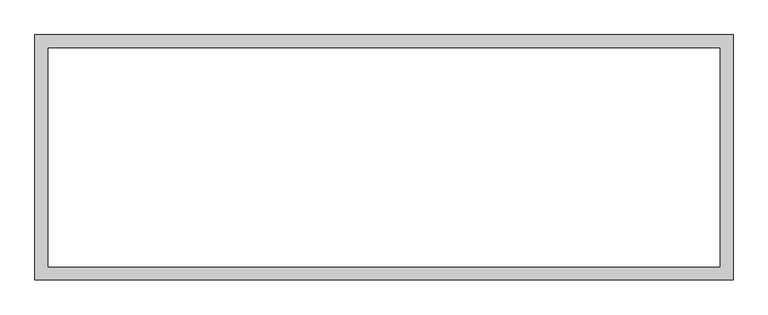
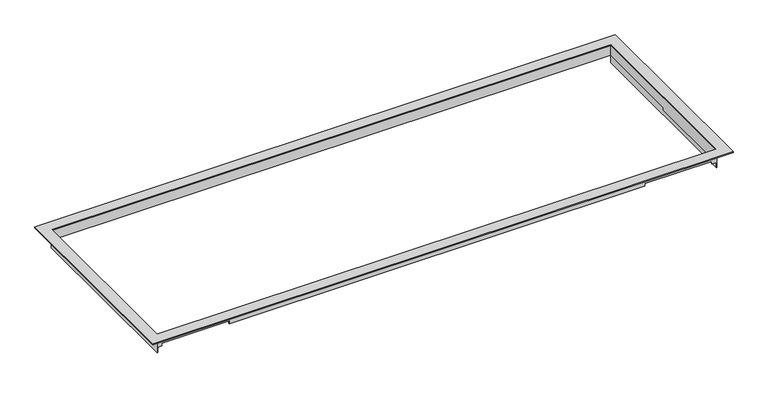
"""IFC4 building model written with IfcOpenShell, lengths in millimetres: proxy geometry."""

from ifc_helpers import new_model, si_unit, origin, origin_with_axes, place, context, project, spatial, polyline, outline, extrude, faceted_brep, source, transform, mapped, element, save


def generic_models_6ffc7a3d(model_context):
    return source(origin(), model_context, "Body", "SolidModel", [
        faceted_brep([(639.0132, 209.0928, -42.164), (639.0132, -209.29346, -42.164), (638.2258, -209.29346, -42.164), (638.2258, 209.0928, -42.164), (-639.0132, -209.29346, -42.164), (-639.0132, 209.0928, -42.164), (-638.2258, 209.0928, -42.164), (-638.2258, 0.0, -42.164), (-637.4638, 0.0, -42.164), (-637.4638, -209.29346, -42.164), (-639.0132, 209.0928, 0.0), (-639.0132, -209.29346, 0.0), (639.0132, -209.29346, 0.0), (639.0132, 209.0928, 0.0), (-637.4638, 207.6958, 0.0), (637.4638, 207.6958, 0.0), (637.4638, -207.6958, 0.0), (-637.4638, -207.6958, 0.0), (-637.4638, 207.6958, -23.0912164), (637.4638, 207.6958, -23.0912164), (637.4638, 0.0, -23.0912164), (637.4638, 0.0, -29.4412164), (637.4638, -207.6958, -29.4412164), (628.2729141, -207.6958, -29.4412164), (628.2729141, -207.6958, -23.0912164), (474.7742222, -207.6958, -23.0912164), (474.7742222, -207.6958, -29.4412164), (-474.7742222, -207.6958, -29.4412164), (-474.7742222, -207.6958, -23.0912164), (-628.2729141, -207.6958, -23.0912164), (-628.2729141, -207.6958, -29.4412164), (-637.4638, -207.6958, -29.4412164), (-637.4638, -209.29346, -29.4412164), (-637.4638, 0.0, -23.0912164), (-628.2729141, -209.29346, -29.4412164), (-628.2729141, -209.29346, -23.0912164), (-474.7742222, -209.29346, -23.0912164), (-474.7742222, -209.29346, -29.4412164), (474.7742222, -209.29346, -29.4412164), (474.7742222, -209.29346, -23.0912164), (628.2729141, -209.29346, -23.0912164), (628.2729141, -209.29346, -29.4412164), (638.2258, -209.29346, -29.4412164), (638.2258, 209.0928, -23.0912164), (-638.2258, 209.0928, -23.0912164), (-638.2258, 0.0, -23.0912164), (638.2258, 0.0, -23.0912164), (638.2258, 0.0, -29.4412164)], [[[0, 1, 2, 3]], [[4, 5, 6, 7, 8, 9]], [[10, 11, 12, 13], [14, 15, 16, 17]], [[15, 14, 18, 19]], [[16, 15, 19, 20, 21, 22]], [[17, 16, 22, 23, 24, 25, 26, 27, 28, 29, 30, 31]], [[14, 17, 31, 32, 9, 8, 33, 18]], [[5, 4, 11, 10]], [[12, 11, 4, 9, 32, 34, 35, 36, 37, 38, 39, 40, 41, 42, 2, 1]], [[1, 0, 13, 12]], [[10, 13, 0, 3, 43, 44, 6, 5]], [[7, 45, 33, 8]], [[20, 46, 47, 21]], [[46, 20, 19, 18, 33, 45, 44, 43]], [[45, 7, 6, 44]], [[46, 43, 3, 2, 42, 47]], [[28, 36, 35, 29]], [[29, 35, 34, 30]], [[32, 31, 30, 34]], [[47, 42, 41, 23, 22, 21]], [[23, 41, 40, 24]], [[24, 40, 39, 25]], [[25, 39, 38, 26]], [[26, 38, 37, 27]], [[36, 28, 27, 37]]]),
        extrude(outline(polyline([(-662.8638, 233.09326), (662.8638, 233.09326), (662.8638, -233.14406), (-662.8638, -233.14406), (-662.8638, 233.09326)]), holes=[polyline([(-637.4638, 207.6958), (-637.4638, -207.6958), (637.4638, -207.6958), (637.4638, 207.6958), (-637.4638, 207.6958)])]), origin_with_axes(), (0.0, 0.0, 1.0), 2.286),
    ])


if __name__ == "__main__":
    model = new_model("IFC4")
    model_context = context("Model", 3, world=origin())
    ifc_project = project(units=[si_unit("LENGTHUNIT", "METRE", prefix="MILLI")], contexts=[model_context])
    site = spatial("IfcSite", under=ifc_project)
    building = spatial("IfcBuilding", under=site)
    placement = place(None, origin())
    generic_models_shape = generic_models_6ffc7a3d(model_context)
    element("IfcBuildingElementProxy", 1, Name="Generic Models", at=placement, inside=building, context=model_context, shape_type="MappedRepresentation", body=[
        mapped(generic_models_shape, transform((0.0, 0.0, 0.0), x_axis=(1.0, 0.0, 0.0), y_axis=(0.0, 1.0, 0.0), z_axis=(0.0, 0.0, 1.0))),
    ])
    save(model, "model.ifc")
